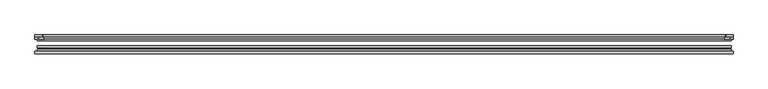
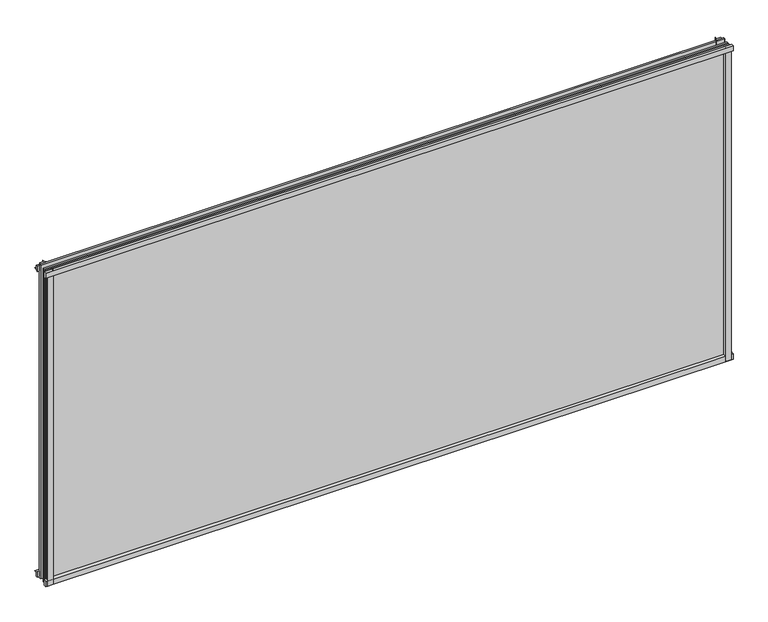
"""IFC4 building model written with IfcOpenShell, lengths in millimetres: plate geometry."""

from ifc_helpers import new_model, si_unit, point, frame, frame_2d, origin, place, context, project, spatial, polyline, circle_curve, trimmed, segment, composite_curve, outline, extrude, source, transform, mapped, element, save


def plate_dfdeda02(model_context):
    return source(origin(), model_context, "Body", "SweptSolid", [
        extrude(outline(composite_curve([segment(polyline([(-85.1328625, 855.6813002), (-78.7828625, 855.6813002), (-78.7828625, 839.4311909)]), True, "CONTINUOUS"), segment(trimmed(circle_curve(frame_2d((-85.0581856, 830.3814356)), 11.0126179), [point((-78.7828625, 839.4311909))], [point((-85.1328625, 841.3938002))], True, "CARTESIAN"), True, "CONTINUOUS"), segment(polyline([(-85.1328625, 841.3938002), (-85.1328625, 855.6813002)]), True, "CONTINUOUS")], self_intersect=False)), frame((-902.6921875, 0.0, 0.0), z_axis=(1.0, 0.0, 0.0), x_axis=(0.0, 1.0, 0.0)), (0.0, 0.0, 1.0), 1804.19375),
        extrude(outline(composite_curve([segment(polyline([(-896.9375, -78.7828625), (-880.0762844, -78.7828625)]), True, "CONTINUOUS"), segment(trimmed(circle_curve(frame_2d((-869.5138809, -86.7604812)), 13.2365693), [point((-880.0762844, -78.7828625))], [point((-882.65, -85.1328625))], True, "CARTESIAN"), True, "CONTINUOUS"), segment(polyline([(-882.65, -85.1328625), (-896.9375, -85.1328625), (-896.9375, -78.7828625)]), True, "CONTINUOUS")], self_intersect=False)), frame((0.0, 0.0, -14.2875), z_axis=(0.0, 0.0, 1.0), x_axis=(1.0, 0.0, 0.0)), (0.0, 0.0, 1.0), 869.95),
        extrude(outline(composite_curve([segment(polyline([(896.9375, -78.7828625), (896.9375, -85.1328625), (882.65, -85.1328625)]), True, "CONTINUOUS"), segment(trimmed(circle_curve(frame_2d((869.5138809, -86.7604812)), 13.2365693), [point((882.65, -85.1328625))], [point((880.0762844, -78.7828625))], True, "CARTESIAN"), True, "CONTINUOUS"), segment(polyline([(880.0762844, -78.7828625), (896.9375, -78.7828625)]), True, "CONTINUOUS")], self_intersect=False)), frame((0.0, 0.0, -14.2875), z_axis=(0.0, 0.0, 1.0), x_axis=(1.0, 0.0, 0.0)), (0.0, 0.0, 1.0), 869.95),
        extrude(outline(composite_curve([segment(polyline([(-47.1852625, -10.4712201), (-47.1852625, 3.9588469)]), True, "CONTINUOUS"), segment(trimmed(circle_curve(frame_2d((-30.6824422, 32.267054)), 32.7673262), [point((-47.1852625, 3.9588469))], [point((-36.3503395, -0.00635))], True, "CARTESIAN"), True, "CONTINUOUS"), segment(polyline([(-36.3503395, -0.00635), (-42.2830625, -0.00635), (-42.2830625, -10.4712201), (-47.1852625, -10.4712201)]), True, "CONTINUOUS")], self_intersect=False)), frame((-902.6921875, 0.0, 0.0), z_axis=(1.0, 0.0, 0.0), x_axis=(0.0, 1.0, 0.0)), (0.0, 0.0, 1.0), 1804.19375),
        extrude(outline(composite_curve([segment(polyline([(-78.7828625, -14.2875), (-85.1328625, -14.2875), (-85.1328625, -0.0127)]), True, "CONTINUOUS"), segment(trimmed(circle_curve(frame_2d((-86.7604812, 13.1234191)), 13.2365693), [point((-85.1328625, -0.0127))], [point((-78.7828625, 2.5610156))], True, "CARTESIAN"), True, "CONTINUOUS"), segment(polyline([(-78.7828625, 2.5610156), (-78.7828625, -14.2875)]), True, "CONTINUOUS")], self_intersect=False)), frame((-902.6921875, 0.0, 0.0), z_axis=(1.0, 0.0, 0.0), x_axis=(0.0, 1.0, 0.0)), (0.0, 0.0, 1.0), 1804.19375),
        extrude(outline(composite_curve([segment(polyline([(-47.1852625, 837.4034531), (-47.1852625, 852.0752564), (-42.2830625, 852.0752564), (-42.2830625, 841.375), (-36.3140625, 841.375)]), True, "CONTINUOUS"), segment(trimmed(circle_curve(frame_2d((-30.6824422, 809.095246)), 32.7673262), [point((-36.3140625, 841.375))], [point((-47.1852625, 837.4034531))], True, "CARTESIAN"), True, "CONTINUOUS")], self_intersect=False)), frame((-902.6921875, 0.0, 0.0), z_axis=(1.0, 0.0, 0.0), x_axis=(0.0, 1.0, 0.0)), (0.0, 0.0, 1.0), 1804.19375),
        extrude(outline(composite_curve([segment(trimmed(circle_curve(frame_2d((850.370246, -30.6824422)), 32.7673262), [point((878.6784531, -47.1852625))], [point((882.65, -36.3140625))], True, "CARTESIAN"), True, "CONTINUOUS"), segment(polyline([(882.65, -36.3140625), (882.65, -42.2830625), (893.3503653, -42.2830625), (893.3503653, -47.1852625), (878.6784531, -47.1852625)]), True, "CONTINUOUS")], self_intersect=False)), frame((0.0, 0.0, -14.2875), z_axis=(0.0, 0.0, 1.0), x_axis=(1.0, 0.0, 0.0)), (0.0, 0.0, 1.0), 869.95),
        extrude(outline(composite_curve([segment(polyline([(-878.6784531, -47.1852625), (-893.3452092, -47.1852625), (-893.3452092, -42.2830625), (-882.65, -42.2830625), (-882.65, -36.3140625)]), True, "CONTINUOUS"), segment(trimmed(circle_curve(frame_2d((-850.370246, -30.6824422)), 32.7673262), [point((-882.65, -36.3140625))], [point((-878.6784531, -47.1852625))], True, "CARTESIAN"), True, "CONTINUOUS")], self_intersect=False)), frame((0.0, 0.0, -14.2875), z_axis=(0.0, 0.0, 1.0), x_axis=(1.0, 0.0, 0.0)), (0.0, 0.0, 1.0), 869.95),
        extrude(outline(polyline([(896.9375, -64.6604625), (896.9375, -69.4356625), (-896.9375, -69.4356625), (-896.9375, -64.6604625), (896.9375, -64.6604625)])), frame((0.0, 0.0, -14.2875), z_axis=(0.0, 0.0, 1.0), x_axis=(1.0, 0.0, 0.0)), (0.0, 0.0, 1.0), 869.95),
        extrude(outline(polyline([(-896.9375, -78.7828625), (-896.9375, -74.0076625), (896.9375, -74.0076625), (896.9375, -78.7828625), (-896.9375, -78.7828625)])), frame((0.0, 0.0, -14.2875), z_axis=(0.0, 0.0, 1.0), x_axis=(1.0, 0.0, 0.0)), (0.0, 0.0, 1.0), 869.95),
        extrude(outline(polyline([(-896.9375, -47.1852625), (896.9375, -47.1852625), (896.9375, -51.9604625), (-896.9375, -51.9604625), (-896.9375, -47.1852625)])), frame((0.0, 0.0, -14.2875), z_axis=(0.0, 0.0, 1.0), x_axis=(1.0, 0.0, 0.0)), (0.0, 0.0, 1.0), 869.95),
    ])


if __name__ == "__main__":
    model = new_model("IFC4")
    model_context = context("Model", 3, world=origin())
    ifc_project = project(units=[si_unit("LENGTHUNIT", "METRE", prefix="MILLI")], contexts=[model_context])
    site = spatial("IfcSite", under=ifc_project)
    building = spatial("IfcBuilding", under=site)
    placement = place(None, origin())
    plate_shape = plate_dfdeda02(model_context)
    element("IfcPlate", 1, at=placement, inside=building, context=model_context, shape_type="MappedRepresentation", body=[
        mapped(plate_shape, transform((0.0, 0.0, 0.0), x_axis=(1.0, 0.0, 0.0), y_axis=(0.0, 1.0, 0.0), z_axis=(0.0, 0.0, 1.0))),
    ])
    save(model, "model.ifc")
